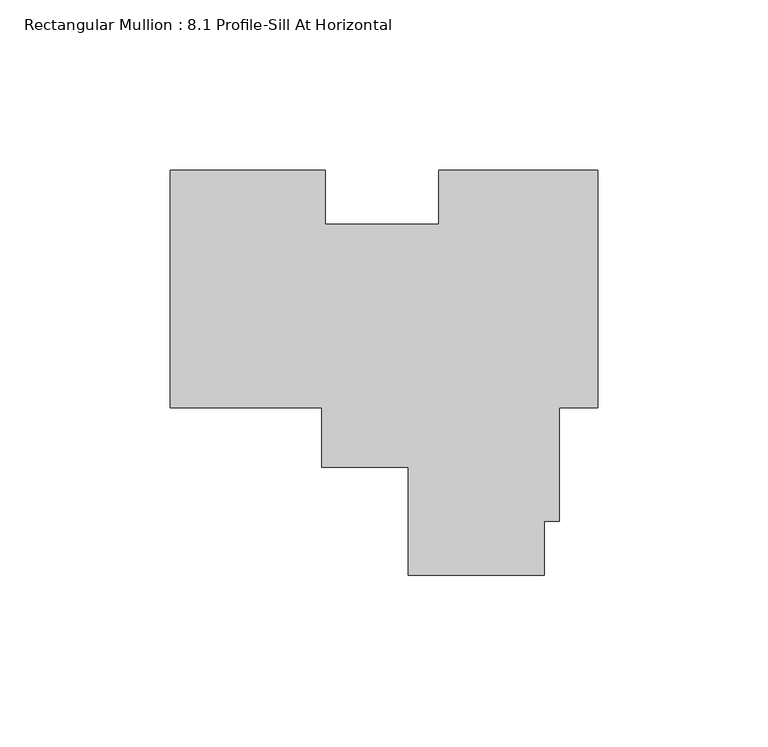
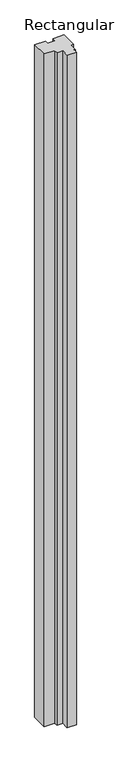
"""IFC4 building model written with IfcOpenShell, lengths in millimetres: member geometry, Rectangular Mullion : 8.1 Profile-Sill At Horizontal."""

from ifc_helpers import new_model, si_unit, frame, origin, place, context, project, spatial, polyline, outline, extrude, source, transform, mapped, element, save


def rectangular_mullion_8_1_profile_sill_at_horizontal_598ca413(model_context):
    return source(origin(), model_context, "Body", "SweptSolid", [
        extrude(outline(polyline([(-80.2091346, 18.25625), (-80.2091346, 2.38125), (-46.8503, 2.38125), (-46.8503, 18.25625), (0.0, 18.25625), (0.0, -51.59375), (-11.2966018, -51.59375), (-11.2966018, -84.9430295), (-15.7416018, -84.9430295), (-15.7416018, -100.81712), (-55.7466018, -100.81712), (-55.7466018, -69.06895), (-81.1385794, -69.06895), (-81.1385794, -51.59375), (-125.7808, -51.59375), (-125.7808, 18.25625), (-80.2091346, 18.25625)])), frame((0.0, 0.0, -3048.0), z_axis=(0.0, 0.0, 1.0), x_axis=(1.0, 0.0, 0.0)), (0.0, 0.0, 1.0), 3048.0),
    ])


if __name__ == "__main__":
    model = new_model("IFC4")
    model_context = context("Model", 3, world=origin())
    ifc_project = project(units=[si_unit("LENGTHUNIT", "METRE", prefix="MILLI")], contexts=[model_context])
    site = spatial("IfcSite", under=ifc_project)
    building = spatial("IfcBuilding", under=site)
    placement = place(None, origin())
    rectangular_mullion_8_1_profile_sill_at_horizontal_shape = rectangular_mullion_8_1_profile_sill_at_horizontal_598ca413(model_context)
    element("IfcMember", 1, ObjectType="Rectangular Mullion : 8.1 Profile-Sill At Horizontal", at=placement, inside=building, context=model_context, shape_type="MappedRepresentation", body=[
        mapped(rectangular_mullion_8_1_profile_sill_at_horizontal_shape, transform((0.0, 0.0, 0.0), x_axis=(1.0, 0.0, 0.0), y_axis=(0.0, 1.0, 0.0), z_axis=(0.0, 0.0, 1.0))),
    ])
    save(model, "model.ifc")
